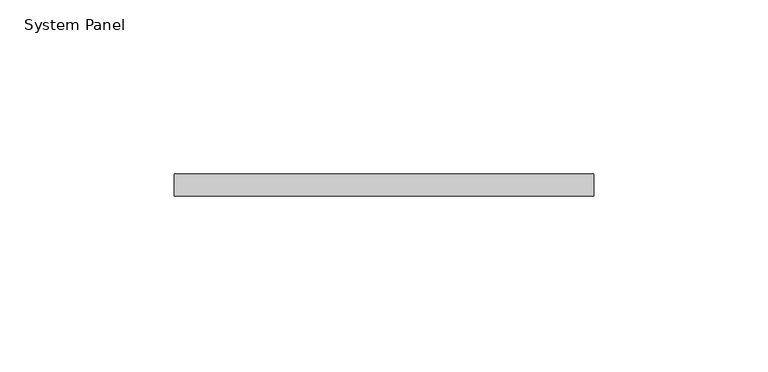
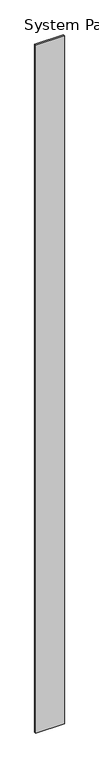
"""IFC4 building model written with IfcOpenShell, lengths in millimetres: plate geometry, System Panel."""

from ifc_helpers import new_model, si_unit, origin, origin_with_axes, place, context, project, spatial, polyline, outline, extrude, source, transform, mapped, element, save


def system_panel_815afb82(model_context):
    return source(origin(), model_context, "Body", "SweptSolid", [
        extrude(outline(polyline([(60.325, -6.35), (-60.325, -6.35), (-60.325, 0.0), (60.325, 0.0), (60.325, -6.35)])), origin_with_axes(), (0.0, 0.0, 1.0), 3048.0),
    ])


if __name__ == "__main__":
    model = new_model("IFC4")
    model_context = context("Model", 3, world=origin())
    ifc_project = project(units=[si_unit("LENGTHUNIT", "METRE", prefix="MILLI")], contexts=[model_context])
    site = spatial("IfcSite", under=ifc_project)
    building = spatial("IfcBuilding", under=site)
    placement = place(None, origin())
    system_panel_shape = system_panel_815afb82(model_context)
    element("IfcPlate", 1, ObjectType="System Panel", at=placement, inside=building, context=model_context, shape_type="MappedRepresentation", body=[
        mapped(system_panel_shape, transform((0.0, 0.0, 0.0), x_axis=(1.0, 0.0, 0.0), y_axis=(0.0, 1.0, 0.0), z_axis=(0.0, 0.0, 1.0))),
    ])
    save(model, "model.ifc")
